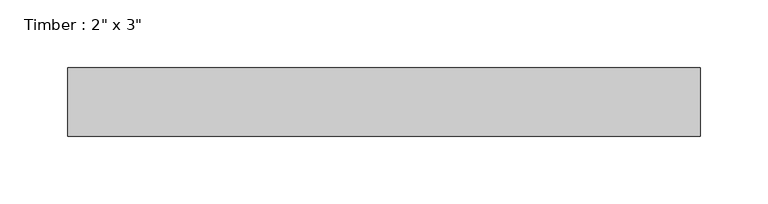
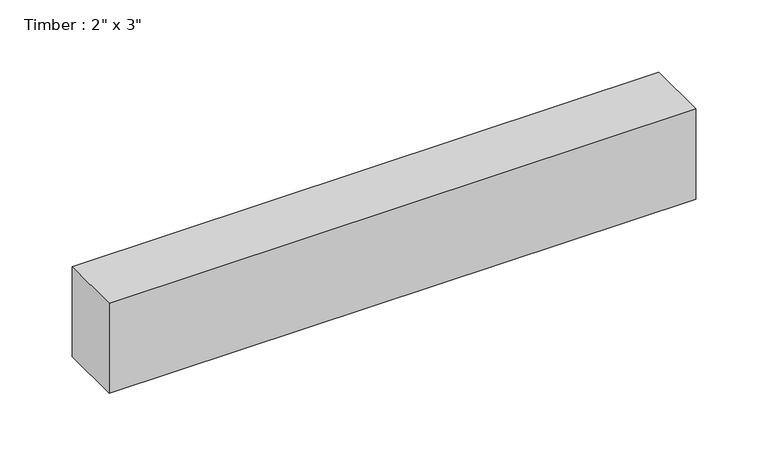
"""IFC4 building model written with IfcOpenShell, lengths in millimetres: beam geometry."""

import ifcopenshell
import ifcopenshell.guid

model = None  # the IFC model being written
_history = None  # IfcOwnerHistory: only IFC2X3 demands one
_inside = {}  # id of a spatial element -> (the spatial element, [elements in it])
_under = {}  # id of a project, library or spatial element -> (it, [spatial elements below it])
_declared = {}  # id of a project -> (the project, [libraries it declares])
_typed = {}  # id of a type object -> (the type object, [elements of that type])
_made_of = {}  # id of a material, layer set ... -> (it, [elements and type objects made of it])


def new_model(schema):
    """Start an empty IFC model of exactly this schema.

    Asked for "IFC4X3", IfcOpenShell would pick the latest addendum, in which some entities
    have other attributes; the version numbers below select the first issue.
    IFC2X3 requires an IfcOwnerHistory on every rooted entity: one is made here for all.
    """
    global model, _history
    if schema == "IFC4X3":
        model = ifcopenshell.file(schema_version=(4, 3, 0, 0))
    else:
        model = ifcopenshell.file(schema=schema)
    _inside.clear()
    _under.clear()
    _declared.clear()
    _typed.clear()
    _made_of.clear()
    _history = None
    if model.schema == "IFC2X3":
        org = make("IfcOrganization", Name="unknown")
        user = make(
            "IfcPersonAndOrganization",
            ThePerson=make("IfcPerson", FamilyName="unknown"),
            TheOrganization=org,
        )
        app = make(
            "IfcApplication",
            ApplicationDeveloper=org,
            Version="unknown",
            ApplicationFullName="unknown",
            ApplicationIdentifier="unknown",
        )
        _history = make(
            "IfcOwnerHistory",
            OwningUser=user,
            OwningApplication=app,
            ChangeAction="ADDED",
            CreationDate=0,
        )
    return model


def make(cls, **values):
    """One entity of the class cls with the attributes given. An attribute that is None is left unset."""
    return model.create_entity(
        cls, **{name: value for name, value in values.items() if value is not None}
    )


def rooted(cls, **values):
    """An entity with a GlobalId (a new one), such as an element, a storey or a relation."""
    return make(cls, GlobalId=ifcopenshell.guid.new(), OwnerHistory=_history, **values)


def si_unit(unit_type, name, prefix=None):
    """IfcSIUnit, for example si_unit("LENGTHUNIT", "METRE", prefix="MILLI")."""
    return make("IfcSIUnit", UnitType=unit_type, Prefix=prefix, Name=name)


def assignment(units):
    """IfcUnitAssignment: the units of a project."""
    return None if units is None else make("IfcUnitAssignment", Units=units)


def point(xyz):
    """IfcCartesianPoint."""
    return None if xyz is None else make("IfcCartesianPoint", Coordinates=xyz)


def direction(xyz):
    """IfcDirection."""
    return None if xyz is None else make("IfcDirection", DirectionRatios=xyz)


def frame(location, z_axis=None, x_axis=None):
    """IfcAxis2Placement3D, a coordinate frame: its origin and axes. An axis left out is left unset."""
    return make(
        "IfcAxis2Placement3D",
        Location=point(location),
        Axis=direction(z_axis),
        RefDirection=direction(x_axis),
    )


def origin():
    """The frame at (0, 0, 0) with its axes left unset."""
    return frame((0.0, 0.0, 0.0))


def place(relative_to, where):
    """IfcLocalPlacement: puts the frame where relative to a parent placement (None: the world)."""
    return make(
        "IfcLocalPlacement", PlacementRelTo=relative_to, RelativePlacement=where
    )


def context(
    kind, dimensions, precision=None, world=None, true_north=None, identifier=None
):
    """IfcGeometricRepresentationContext, for example the 3D "Model" context."""
    return make(
        "IfcGeometricRepresentationContext",
        ContextIdentifier=identifier,
        ContextType=kind,
        CoordinateSpaceDimension=dimensions,
        Precision=precision,
        WorldCoordinateSystem=world,
        TrueNorth=true_north,
    )


def project(units=None, contexts=None):
    """IfcProject with its units and contexts."""
    return rooted(
        "IfcProject",
        Name="project",
        RepresentationContexts=contexts,
        UnitsInContext=assignment(units),
    )


def spatial(cls, under=None, at=None, **own):
    """A site, building, storey or space (cls), placed at a placement, below another one or the project."""
    s = rooted(cls, ObjectPlacement=at, **own)
    if under is not None:
        _under.setdefault(under.id(), (under, []))[1].append(s)
    return s


def polyline(points):
    """IfcPolyline through the points."""
    return make("IfcPolyline", Points=[point(p) for p in points])


def outline(outer, holes=None, kind="AREA"):
    """IfcArbitraryClosedProfileDef: a profile drawn as a closed curve; with holes, ...WithVoids."""
    if holes is None:
        return make("IfcArbitraryClosedProfileDef", ProfileType=kind, OuterCurve=outer)
    return make(
        "IfcArbitraryProfileDefWithVoids",
        ProfileType=kind,
        OuterCurve=outer,
        InnerCurves=holes,
    )


def extrude(swept, where, along, depth):
    """IfcExtrudedAreaSolid: the profile swept, set in the frame where, extruded along a direction by depth."""
    return make(
        "IfcExtrudedAreaSolid",
        SweptArea=swept,
        Position=where,
        ExtrudedDirection=direction(along),
        Depth=depth,
    )


def shape(context_of_items, identifier, shape_type, items):
    """IfcShapeRepresentation: the items that make up one representation, for example the "Body"."""
    return make(
        "IfcShapeRepresentation",
        ContextOfItems=context_of_items,
        RepresentationIdentifier=identifier,
        RepresentationType=shape_type,
        Items=items,
    )


def source(mapping_origin, context_of_items, identifier, shape_type, items):
    """IfcRepresentationMap: a shape defined once, which mapped items show again and again."""
    return make(
        "IfcRepresentationMap",
        MappingOrigin=mapping_origin,
        MappedRepresentation=shape(context_of_items, identifier, shape_type, items),
    )


def transform(
    local_origin,
    x_axis=None,
    y_axis=None,
    z_axis=None,
    scale=None,
    scale2=None,
    scale3=None,
    uniform=True,
):
    """IfcCartesianTransformationOperator3D, or its non-uniform kind. x_axis, y_axis, z_axis: its Axis1, 2, 3."""
    if uniform:
        return make(
            "IfcCartesianTransformationOperator3D",
            Axis1=direction(x_axis),
            Axis2=direction(y_axis),
            LocalOrigin=point(local_origin),
            Scale=scale,
            Axis3=direction(z_axis),
        )
    return make(
        "IfcCartesianTransformationOperator3DnonUniform",
        Axis1=direction(x_axis),
        Axis2=direction(y_axis),
        LocalOrigin=point(local_origin),
        Scale=scale,
        Axis3=direction(z_axis),
        Scale2=scale2,
        Scale3=scale3,
    )


def mapped(mapping_source, mapping_target):
    """IfcMappedItem: shows the shape of a source again, moved by a transform."""
    return make(
        "IfcMappedItem", MappingSource=mapping_source, MappingTarget=mapping_target
    )


def made_of(thing, what):
    """Note that an element or type object is made of a material, layer set ...; save() writes the relation."""
    if what is not None:
        _made_of.setdefault(what.id(), (what, []))[1].append(thing)
    return thing


def element(
    cls,
    number,
    at=None,
    inside=None,
    cuts=None,
    type_object=None,
    material=None,
    context=None,
    identifier="Body",
    shape_type=None,
    held_by="IfcProductDefinitionShape",
    body=None,
    shapes=None,
    **own,
):
    """One element of the class cls, such as IfcWall. Its Tag is "e" and its number.

    at: its placement. inside: the storey or other place that contains it. cuts: it is an
    opening in that element (IfcRelVoidsElement). A single representation is given by context,
    identifier, shape_type and body (its items); several are given by shapes. held_by: the class
    of the entity that holds the representations. save() writes the other relations.
    """
    e = rooted(cls, Tag="e%d" % number, ObjectPlacement=at, **own)
    if body is not None:
        shapes = [shape(context, identifier, shape_type, body)]
    if shapes is not None:
        e.Representation = make(held_by, Representations=shapes)
    if inside is not None:
        _inside.setdefault(inside.id(), (inside, []))[1].append(e)
    if cuts is not None:
        rooted(
            "IfcRelVoidsElement", RelatingBuildingElement=cuts, RelatedOpeningElement=e
        )
    if type_object is not None:
        _typed.setdefault(type_object.id(), (type_object, []))[1].append(e)
    return made_of(e, material)


def aggregate(whole, parts):
    """IfcRelAggregates: a whole, such as a stair, and the parts it consists of."""
    return rooted("IfcRelAggregates", RelatingObject=whole, RelatedObjects=parts)


def save(model, path):
    """Write the relations noted so far, then the file.

    IfcRelAggregates (storeys below a building ...), IfcRelContainedInSpatialStructure (elements
    in a storey), IfcRelDefinesByType, IfcRelAssociatesMaterial and IfcRelDeclares: one each for
    every whole, place, type object, material and project.
    """
    for whole, parts in _under.values():
        aggregate(whole, parts)
    for where, things in _inside.values():
        rooted(
            "IfcRelContainedInSpatialStructure",
            RelatedElements=things,
            RelatingStructure=where,
        )
    for kind, things in _typed.values():
        rooted("IfcRelDefinesByType", RelatedObjects=things, RelatingType=kind)
    for what, things in _made_of.values():
        rooted("IfcRelAssociatesMaterial", RelatedObjects=things, RelatingMaterial=what)
    for by, libraries in _declared.values():
        rooted("IfcRelDeclares", RelatingContext=by, RelatedDefinitions=libraries)
    model.write(path)


def beam_2fb3322a(model_context):
    return source(origin(), model_context, "Body", "SweptSolid", [
        extrude(outline(polyline([(233.9124821, -25.4), (-233.9124821, -25.4), (-233.9124821, 25.4), (233.9124821, 25.4), (233.9124821, -25.4)])), frame((0.0, 0.0, -38.1), z_axis=(0.0, 0.0, 1.0), x_axis=(1.0, 0.0, 0.0)), (0.0, 0.0, 1.0), 76.2),
    ])


if __name__ == "__main__":
    model = new_model("IFC4")
    model_context = context("Model", 3, world=origin())
    ifc_project = project(units=[si_unit("LENGTHUNIT", "METRE", prefix="MILLI")], contexts=[model_context])
    site = spatial("IfcSite", under=ifc_project)
    building = spatial("IfcBuilding", under=site)
    placement = place(None, origin())
    beam_shape = beam_2fb3322a(model_context)
    element("IfcBeam", 1, ObjectType="Timber : 2\" x 3\"", at=placement, inside=building, context=model_context, shape_type="MappedRepresentation", body=[
        mapped(beam_shape, transform((0.0, 0.0, 0.0), x_axis=(1.0, 0.0, 0.0), y_axis=(0.0, 1.0, 0.0), z_axis=(0.0, 0.0, 1.0))),
    ])
    save(model, "model.ifc")
